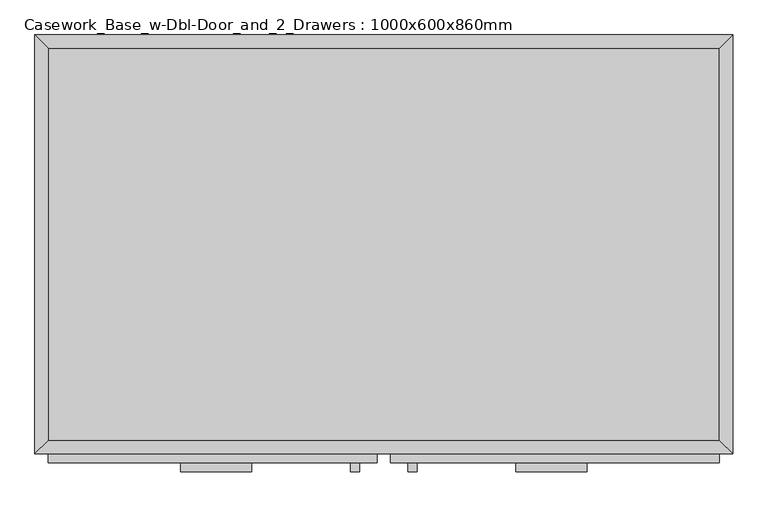
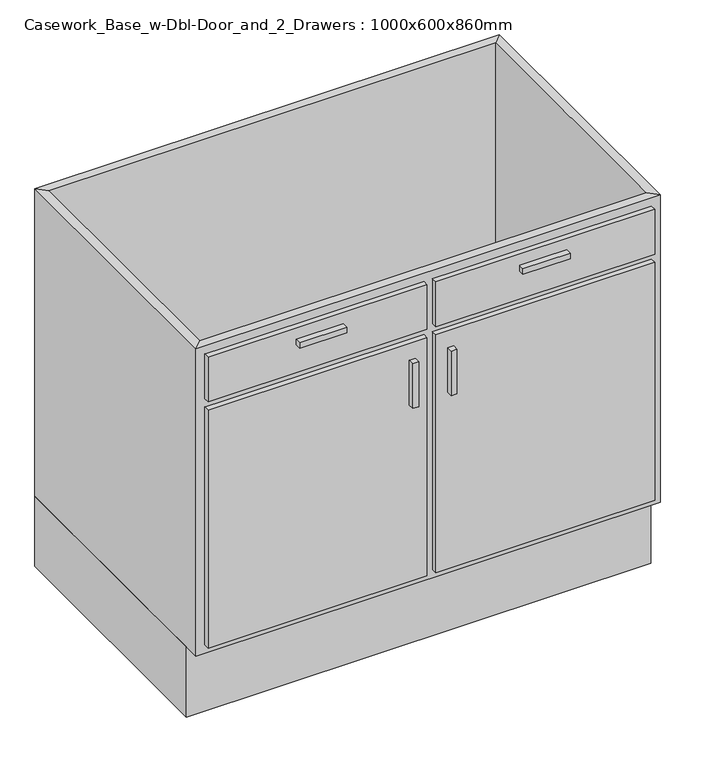
"""IFC4 building model written with IfcOpenShell, lengths in millimetres: furniture geometry, Casework_Base_w-Dbl-Door_and_2_Drawers : 1000x600x860mm."""

from ifc_helpers import new_model, si_unit, frame, origin, origin_with_axes, place, context, project, spatial, polyline, outline, extrude, faceted_brep, source, transform, mapped, element, save


def casework_base_w_dbl_door_and_2_drawers_1000x600x860mm_499ac70b(model_context):
    return source(origin(), model_context, "Body", "SolidModel", [
        extrude(outline(polyline([(499.6877049, -19.05), (499.6877049, -580.95), (-462.2122951, -580.95), (-462.2122951, -19.05), (499.6877049, -19.05)])), frame((0.0, 0.0, 160.0), z_axis=(0.0, 0.0, 1.0), x_axis=(1.0, 0.0, 0.0)), (0.0, 0.0, 1.0), 19.05),
        faceted_brep([(499.6877049, -580.95, 860.0), (499.6877049, -580.95, 160.0), (-462.2122951, -580.95, 160.0), (-462.2122951, -580.95, 860.0), (518.7377049, -600.0, 860.0), (-481.2622951, -600.0, 860.0), (518.7377049, -600.0, 160.0), (-481.2622951, -600.0, 160.0), (-462.2122951, -19.05, 160.0), (-462.2122951, -19.05, 860.0), (-481.2622951, 0.0, 860.0), (-481.2622951, 0.0, 160.0), (499.6877049, -19.05, 160.0), (499.6877049, -19.05, 860.0), (518.7377049, 0.0, 860.0), (518.7377049, 0.0, 160.0)], [[[0, 1, 2, 3]], [[4, 0, 3, 5]], [[6, 4, 5, 7]], [[1, 6, 7, 2]], [[3, 2, 8, 9]], [[5, 3, 9, 10]], [[7, 5, 10, 11]], [[2, 7, 11, 8]], [[9, 8, 12, 13]], [[10, 9, 13, 14]], [[11, 10, 14, 15]], [[8, 11, 15, 12]], [[13, 12, 1, 0]], [[14, 13, 0, 4]], [[15, 14, 4, 6]], [[12, 15, 6, 1]]]),
        extrude(outline(polyline([(518.7377049, 0.0), (518.7377049, -565.0), (-481.2622951, -565.0), (-481.2622951, 0.0), (518.7377049, 0.0)])), origin_with_axes(), (0.0, 0.0, 1.0), 160.0),
        extrude(outline(polyline([(-170.9372951, -625.4), (-272.5372951, -625.4), (-272.5372951, -612.7), (-170.9372951, -612.7), (-170.9372951, -625.4)])), frame((0.0, 0.0, 802.85), z_axis=(0.0, 0.0, 1.0), x_axis=(1.0, 0.0, 0.0)), (0.0, 0.0, 1.0), 12.7),
        extrude(outline(polyline([(310.0127049, -625.4), (208.4127049, -625.4), (208.4127049, -612.7), (310.0127049, -612.7), (310.0127049, -625.4)])), frame((0.0, 0.0, 802.85), z_axis=(0.0, 0.0, 1.0), x_axis=(1.0, 0.0, 0.0)), (0.0, 0.0, 1.0), 12.7),
        extrude(outline(polyline([(-16.1872951, -625.4), (-28.8872951, -625.4), (-28.8872951, -612.7), (-16.1872951, -612.7), (-16.1872951, -625.4)])), frame((0.0, 0.0, 580.6), z_axis=(0.0, 0.0, 1.0), x_axis=(1.0, 0.0, 0.0)), (0.0, 0.0, 1.0), 101.6),
        extrude(outline(polyline([(66.3627049, -625.4), (53.6627049, -625.4), (53.6627049, -612.7), (66.3627049, -612.7), (66.3627049, -625.4)])), frame((0.0, 0.0, 580.6), z_axis=(0.0, 0.0, 1.0), x_axis=(1.0, 0.0, 0.0)), (0.0, 0.0, 1.0), 101.6),
        extrude(outline(polyline([(9.2127049, -612.7), (-462.2122951, -612.7), (-462.2122951, -600.0), (9.2127049, -600.0), (9.2127049, -612.7)])), frame((0.0, 0.0, 739.35), z_axis=(0.0, 0.0, 1.0), x_axis=(1.0, 0.0, 0.0)), (0.0, 0.0, 1.0), 101.6),
        extrude(outline(polyline([(499.6877049, -612.7), (28.2627049, -612.7), (28.2627049, -600.0), (499.6877049, -600.0), (499.6877049, -612.7)])), frame((0.0, 0.0, 739.35), z_axis=(0.0, 0.0, 1.0), x_axis=(1.0, 0.0, 0.0)), (0.0, 0.0, 1.0), 101.6),
        extrude(outline(polyline([(9.2127049, -612.7), (-462.2122951, -612.7), (-462.2122951, -600.0), (9.2127049, -600.0), (9.2127049, -612.7)])), frame((0.0, 0.0, 179.05), z_axis=(0.0, 0.0, 1.0), x_axis=(1.0, 0.0, 0.0)), (0.0, 0.0, 1.0), 541.25),
        extrude(outline(polyline([(499.6877049, -612.7), (28.2627049, -612.7), (28.2627049, -600.0), (499.6877049, -600.0), (499.6877049, -612.7)])), frame((0.0, 0.0, 179.05), z_axis=(0.0, 0.0, 1.0), x_axis=(1.0, 0.0, 0.0)), (0.0, 0.0, 1.0), 541.25),
    ])


if __name__ == "__main__":
    model = new_model("IFC4")
    model_context = context("Model", 3, world=origin())
    ifc_project = project(units=[si_unit("LENGTHUNIT", "METRE", prefix="MILLI")], contexts=[model_context])
    site = spatial("IfcSite", under=ifc_project)
    building = spatial("IfcBuilding", under=site)
    placement = place(None, origin())
    casework_base_w_dbl_door_and_2_drawers_1000x600x860mm_shape = casework_base_w_dbl_door_and_2_drawers_1000x600x860mm_499ac70b(model_context)
    element("IfcFurniture", 1, ObjectType="Casework_Base_w-Dbl-Door_and_2_Drawers : 1000x600x860mm", at=placement, inside=building, context=model_context, shape_type="MappedRepresentation", body=[
        mapped(casework_base_w_dbl_door_and_2_drawers_1000x600x860mm_shape, transform((0.0, 0.0, 0.0), x_axis=(1.0, 0.0, 0.0), y_axis=(0.0, 1.0, 0.0), z_axis=(0.0, 0.0, 1.0))),
    ])
    save(model, "model.ifc")
